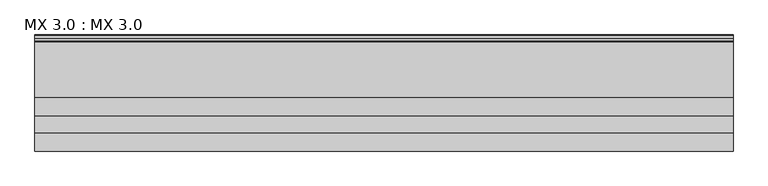
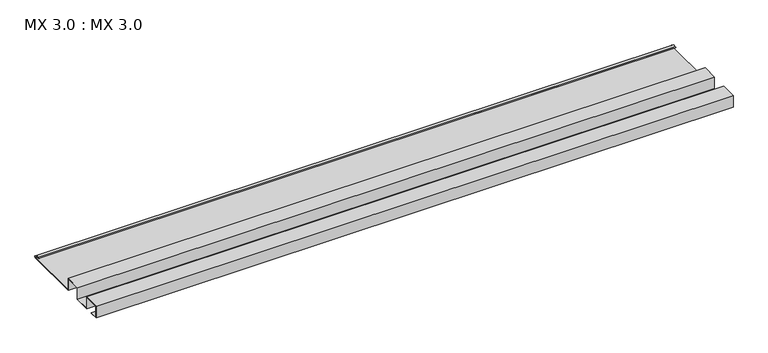
"""IFC4 building model written with IfcOpenShell, lengths in millimetres: proxy geometry, MX 3.0 : MX 3.0."""

from ifc_helpers import new_model, si_unit, point, frame, frame_2d, origin, place, context, project, spatial, polyline, circle_curve, trimmed, segment, composite_curve, outline, extrude, source, transform, mapped, element, save


def mx_3_0_mx_3_0_061407e3(model_context):
    return source(origin(), model_context, "Body", "SweptSolid", [
        extrude(outline(composite_curve([segment(polyline([(0.0, 0.0), (0.0, 38.0), (50.0, 38.0), (50.0, 0.0), (100.0, 0.0), (100.0, 38.0), (150.0, 38.0), (150.0, 0.0), (325.0510156, 0.0)]), True, "CONTINUOUS"), segment(trimmed(circle_curve(frame_2d((324.3094696, 1.9153551)), 2.0538928), [point((325.0510156, 0.0))], [point((325.1748462, 3.778041))], True, "CARTESIAN"), True, "CONTINUOUS"), segment(polyline([(325.1748462, 3.778041), (308.7874714, 6.923107)]), True, "CONTINUOUS"), segment(trimmed(circle_curve(frame_2d((309.4078886, 8.6005442)), 1.7884947), [point((308.7874714, 6.923107))], [point((308.9525789, 10.3301125))], False, "CARTESIAN"), True, "CONTINUOUS"), segment(polyline([(308.9525789, 10.3301125), (316.459338, 11.6715995), (316.635255, 10.6871945), (309.1762081, 9.3542338)]), True, "CONTINUOUS"), segment(trimmed(circle_curve(frame_2d((309.4078886, 8.6005442)), 0.7884947), [point((309.1762081, 9.3542338))], [point((309.0735117, 7.8864603))], True, "CARTESIAN"), True, "CONTINUOUS"), segment(polyline([(309.0735117, 7.8864603), (325.4722719, 4.7392091)]), True, "CONTINUOUS"), segment(trimmed(circle_curve(frame_2d((324.3094696, 1.9153551)), 3.0538928), [point((325.4722719, 4.7392091))], [point((325.2188462, -1.0))], False, "CARTESIAN"), True, "CONTINUOUS"), segment(polyline([(325.2188462, -1.0), (149.0, -1.0), (149.0, 37.0), (101.0, 37.0), (101.0, -1.0), (49.0, -1.0), (49.0, 37.0), (1.0, 37.0), (1.0, 1.0), (25.0, 1.0), (25.0, 0.0), (0.0, 0.0)]), True, "CONTINUOUS")], self_intersect=False)), frame((0.0, 0.0, 0.0), z_axis=(1.0, 0.0, 0.0), x_axis=(0.0, 1.0, 0.0)), (0.0, 0.0, 1.0), 1968.5604387),
    ])


if __name__ == "__main__":
    model = new_model("IFC4")
    model_context = context("Model", 3, world=origin())
    ifc_project = project(units=[si_unit("LENGTHUNIT", "METRE", prefix="MILLI")], contexts=[model_context])
    site = spatial("IfcSite", under=ifc_project)
    building = spatial("IfcBuilding", under=site)
    placement = place(None, origin())
    mx_3_0_mx_3_0_shape = mx_3_0_mx_3_0_061407e3(model_context)
    element("IfcBuildingElementProxy", 1, Name="MX 3.0 : MX 3.0", ObjectType="MX 3.0 : MX 3.0", at=placement, inside=building, context=model_context, shape_type="MappedRepresentation", body=[
        mapped(mx_3_0_mx_3_0_shape, transform((0.0, 0.0, 0.0), x_axis=(1.0, 0.0, 0.0), y_axis=(0.0, 1.0, 0.0), z_axis=(0.0, 0.0, 1.0))),
    ])
    save(model, "model.ifc")
